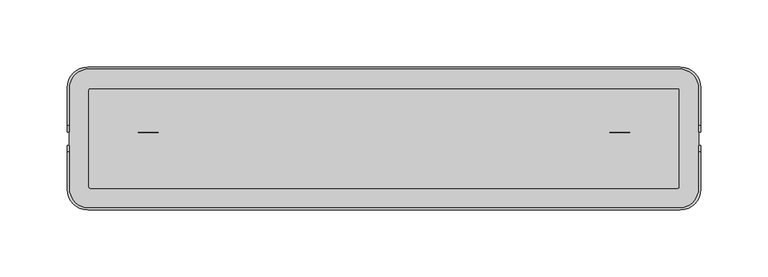
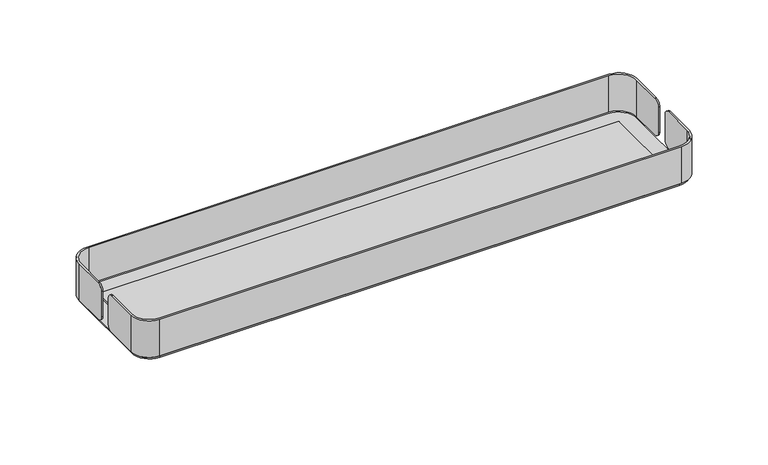
"""IFC4 building model written with IfcOpenShell, lengths in millimetres: furniture geometry."""

from ifc_helpers import new_model, si_unit, point, frame, frame_2d, origin, place, context, project, spatial, polyline, circle_curve, trimmed, segment, composite_curve, outline, extrude, source, transform, mapped, element, save
from ifc_brep_helpers import plane_surface, cylinder_surface, revolved_surface, advanced_brep


def furniture_036cafab(model_context):
    return source(origin(), model_context, "Body", "SolidModel", [
        advanced_brep(
        [(220.029932, 80.0, 936.4000656), (-220.029932, 80.0, 936.4000656), (-235.029932, 65.0, 936.4000656), (-235.029932, 36.9998589, 936.4000656), (-233.8131264, 36.9998589, 936.4000656), (-233.8131264, 63.8063089, 936.4000656), (-218.8131264, 78.8063089, 936.4000656), (218.8131264, 78.8063089, 936.4000656), (233.8131264, 63.8063089, 936.4000656), (233.8131264, 36.9998589, 936.4000656), (235.029932, 36.9998589, 936.4000656), (235.029932, 65.0, 936.4000656), (220.029932, 80.0, 903.8000656), (235.029932, 65.0, 903.8000656), (235.029932, 36.9998589, 903.8000656), (233.8131264, 36.9998589, 903.8000656), (233.8131264, 63.8063089, 903.8000656), (218.8131264, 78.8063089, 903.8000656), (-218.8131264, 78.8063089, 903.8000656), (-233.8131264, 63.8063089, 903.8000656), (-233.8131264, 36.9998589, 903.8000656), (-235.029932, 36.9998589, 903.8000656), (-235.029932, 65.0, 903.8000656), (-220.029932, 80.0, 903.8000656), (-235.029932, 31.9998589, 908.8000656), (-235.029932, 31.9998589, 931.4000656), (-233.8131264, 31.9998589, 931.4000656), (-233.8131264, 31.9998589, 908.8000656), (233.8131264, 31.9998589, 908.8000656), (233.8131264, 31.9998589, 931.4000656), (235.029932, 31.9998589, 931.4000656), (235.029932, 31.9998589, 908.8000656)],
        [
            (0, 1),
            (1, 2, circle_curve(frame((-220.029932, 65.0, 936.4000656), z_axis=(0.0, 0.0, 1.0), x_axis=(1.0, 0.0, 0.0)), 15.0)),
            (2, 3),
            (3, 4),
            (4, 5),
            (5, 6, circle_curve(frame((-218.8131264, 63.8063089, 936.4000656), z_axis=(0.0, 0.0, -1.0), x_axis=(1.0, 0.0, 0.0)), 15.0)),
            (6, 7),
            (7, 8, circle_curve(frame((218.8131264, 63.8063089, 936.4000656), z_axis=(0.0, 0.0, -1.0), x_axis=(1.0, 0.0, 0.0)), 15.0)),
            (8, 9),
            (9, 10),
            (10, 11),
            (11, 0, circle_curve(frame((220.029932, 65.0, 936.4000656), z_axis=(0.0, 0.0, 1.0), x_axis=(1.0, 0.0, 0.0)), 15.0)),
            (12, 13, circle_curve(frame((220.029932, 65.0, 903.8000656), z_axis=(0.0, 0.0, -1.0), x_axis=(1.0, 0.0, 0.0)), 15.0)),
            (13, 14),
            (14, 15),
            (15, 16),
            (16, 17, circle_curve(frame((218.8131264, 63.8063089, 903.8000656), z_axis=(0.0, 0.0, 1.0), x_axis=(1.0, 0.0, 0.0)), 15.0)),
            (17, 18),
            (18, 19, circle_curve(frame((-218.8131264, 63.8063089, 903.8000656), z_axis=(0.0, 0.0, 1.0), x_axis=(1.0, 0.0, 0.0)), 15.0)),
            (19, 20),
            (20, 21),
            (21, 22),
            (22, 23, circle_curve(frame((-220.029932, 65.0, 903.8000656), z_axis=(0.0, 0.0, -1.0), x_axis=(1.0, 0.0, 0.0)), 15.0)),
            (23, 12),
            (0, 12),
            (23, 1),
            (22, 2),
            (21, 24, circle_curve(frame((-235.029932, 36.9998589, 908.8000656), z_axis=(-1.0, 0.0, 0.0), x_axis=(0.0, 1.0, 0.0)), 5.0)),
            (24, 25),
            (25, 3, circle_curve(frame((-235.029932, 36.9998589, 931.4000656), z_axis=(-1.0, 0.0, 0.0), x_axis=(0.0, 1.0, 0.0)), 5.0)),
            (19, 5),
            (4, 26, circle_curve(frame((-233.8131264, 36.9998589, 931.4000656), z_axis=(1.0, 0.0, 0.0), x_axis=(0.0, 1.0, 0.0)), 5.0)),
            (26, 27),
            (27, 20, circle_curve(frame((-233.8131264, 36.9998589, 908.8000656), z_axis=(1.0, 0.0, 0.0), x_axis=(0.0, 1.0, 0.0)), 5.0)),
            (18, 6),
            (17, 7),
            (16, 8),
            (15, 28, circle_curve(frame((233.8131264, 36.9998589, 908.8000656), z_axis=(-1.0, 0.0, 0.0), x_axis=(0.0, 1.0, 0.0)), 5.0)),
            (28, 29),
            (29, 9, circle_curve(frame((233.8131264, 36.9998589, 931.4000656), z_axis=(-1.0, 0.0, 0.0), x_axis=(0.0, 1.0, 0.0)), 5.0)),
            (10, 30, circle_curve(frame((235.029932, 36.9998589, 931.4000656), z_axis=(1.0, 0.0, 0.0), x_axis=(0.0, 1.0, 0.0)), 5.0)),
            (30, 31),
            (31, 14, circle_curve(frame((235.029932, 36.9998589, 908.8000656), z_axis=(1.0, 0.0, 0.0), x_axis=(0.0, 1.0, 0.0)), 5.0)),
            (13, 11),
            (25, 26),
            (24, 27),
            (29, 30),
            (28, 31),
        ],
        [
            plane_surface(frame((-216.8307133, 80.0, 936.4000656), z_axis=(0.0, 0.0, 1.0), x_axis=(-1.0, 0.0, 0.0))),
            plane_surface(frame((-216.8307133, 80.0, 903.8000656), z_axis=(0.0, 0.0, -1.0), x_axis=(1.0, 0.0, 0.0))),
            plane_surface(frame((220.029932, 80.0, 936.4000656), z_axis=(0.0, 1.0, 0.0), x_axis=(0.0, 0.0, -1.0))),
            cylinder_surface(frame((-220.029932, 65.0, 903.8000656), z_axis=(0.0, 0.0, 1.0), x_axis=(1.0, 0.0, 0.0)), 15.0),
            plane_surface(frame((-235.029932, 65.0, 936.4000656), z_axis=(-1.0, 0.0, 0.0), x_axis=(0.0, 0.0, -1.0))),
            plane_surface(frame((-233.8131264, 51.9253053, 936.4000656), z_axis=(1.0, 0.0, 0.0), x_axis=(0.0, 0.0, -1.0))),
            revolved_surface(polyline([(-203.8131264, 63.8063089, 903.8000656), (-203.8131264, 63.8063089, 936.4000656)]), (-218.8131264, 63.8063089, 903.8000656), (0.0, 0.0, -1.0)),
            plane_surface(frame((-218.8131264, 78.8063089, 936.4000656), z_axis=(0.0, -1.0, 0.0), x_axis=(0.0, 0.0, -1.0))),
            revolved_surface(polyline([(233.8131264, 63.8063089, 903.8000656), (233.8131264, 63.8063089, 936.4000656)]), (218.8131264, 63.8063089, 903.8000656), (0.0, 0.0, -1.0)),
            plane_surface(frame((233.8131264, 63.8063089, 936.4000656), z_axis=(-1.0, 0.0, 0.0), x_axis=(0.0, 0.0, -1.0))),
            plane_surface(frame((235.029932, 51.9253053, 936.4000656), z_axis=(1.0, 0.0, 0.0), x_axis=(0.0, 0.0, -1.0))),
            cylinder_surface(frame((220.029932, 65.0, 903.8000656), z_axis=(0.0, 0.0, 1.0), x_axis=(1.0, 0.0, 0.0)), 15.0),
            cylinder_surface(frame((-233.8131264, 36.9998589, 931.4000656), z_axis=(-1.0, 0.0, 0.0), x_axis=(0.0, 1.0, 0.0)), 5.0),
            plane_surface(frame((-235.029932, 31.9998589, 908.8000656), z_axis=(0.0, -1.0, 0.0), x_axis=(1.0, 0.0, 0.0))),
            cylinder_surface(frame((-233.8131264, 36.9998589, 908.8000656), z_axis=(-1.0, 0.0, 0.0), x_axis=(0.0, 1.0, 0.0)), 5.0),
            cylinder_surface(frame((233.8131264, 36.9998589, 931.4000656), z_axis=(1.0, 0.0, 0.0), x_axis=(0.0, 1.0, 0.0)), 5.0),
            plane_surface(frame((235.029932, 31.9998589, 931.4000656), z_axis=(0.0, -1.0, 0.0), x_axis=(-1.0, 0.0, 0.0))),
            cylinder_surface(frame((233.8131264, 36.9998589, 908.8000656), z_axis=(1.0, 0.0, 0.0), x_axis=(0.0, 1.0, 0.0)), 5.0),
        ],
        [
            (0, [[1, 2, 3, 4, 5, 6, 7, 8, 9, 10, 11, 12]]),
            (1, [[13, 14, 15, 16, 17, 18, 19, 20, 21, 22, 23, 24]]),
            (2, [[-1, 25, -24, 26]]),
            (3, [[-2, -26, -23, 27]]),
            (4, [[-27, -22, 28, 29, 30, -3]]),
            (5, [[31, -5, 32, 33, 34, -20]]),
            (6, [[-6, -31, -19, 35]]),
            (7, [[-7, -35, -18, 36]]),
            (8, [[-8, -36, -17, 37]]),
            (9, [[-9, -37, -16, 38, 39, 40]]),
            (10, [[-11, 41, 42, 43, -14, 44]]),
            (11, [[-12, -44, -13, -25]]),
            (12, [[-32, -4, -30, 45]]),
            (13, [[-33, -45, -29, 46]]),
            (14, [[-34, -46, -28, -21]]),
            (15, [[-40, 47, -41, -10]]),
            (16, [[-39, 48, -42, -47]]),
            (17, [[-38, -15, -43, -48]]),
        ],
    ),
        advanced_brep(
        [(220.029932, -25.9133795, 936.4000656), (235.029932, -10.9133795, 936.4000656), (235.029932, 16.9989243, 936.4000656), (233.8131264, 16.9989243, 936.4000656), (233.8131264, -9.7196885, 936.4000656), (218.8131264, -24.7196885, 936.4000656), (-218.8131264, -24.7196885, 936.4000656), (-233.8131264, -9.7196885, 936.4000656), (-233.8131264, 16.9989243, 936.4000656), (-235.029932, 16.9989243, 936.4000656), (-235.029932, -10.9133795, 936.4000656), (-220.029932, -25.9133795, 936.4000656), (220.029932, -25.9133795, 903.8000656), (-220.029932, -25.9133795, 903.8000656), (-235.029932, -10.9133795, 903.8000656), (-235.029932, 16.9989243, 903.8000656), (-233.8131264, 16.9989243, 903.8000656), (-233.8131264, -9.7196885, 903.8000656), (-218.8131264, -24.7196885, 903.8000656), (218.8131264, -24.7196885, 903.8000656), (233.8131264, -9.7196885, 903.8000656), (233.8131264, 16.9989243, 903.8000656), (235.029932, 16.9989243, 903.8000656), (235.029932, -10.9133795, 903.8000656), (-235.029932, 21.9989243, 931.4000656), (-235.029932, 21.9989243, 908.8000656), (-233.8131264, 21.9989243, 908.8000656), (-233.8131264, 21.9989243, 931.4000656), (233.8131264, 21.9989243, 931.4000656), (233.8131264, 21.9989243, 908.8000656), (235.029932, 21.9989243, 908.8000656), (235.029932, 21.9989243, 931.4000656)],
        [
            (0, 1, circle_curve(frame((220.029932, -10.9133795, 936.4000656), z_axis=(0.0, 0.0, 1.0), x_axis=(1.0, 0.0, 0.0)), 15.0)),
            (1, 2),
            (2, 3),
            (3, 4),
            (4, 5, circle_curve(frame((218.8131264, -9.7196885, 936.4000656), z_axis=(0.0, 0.0, -1.0), x_axis=(1.0, 0.0, 0.0)), 15.0)),
            (5, 6),
            (6, 7, circle_curve(frame((-218.8131264, -9.7196885, 936.4000656), z_axis=(0.0, 0.0, -1.0), x_axis=(1.0, 0.0, 0.0)), 15.0)),
            (7, 8),
            (8, 9),
            (9, 10),
            (10, 11, circle_curve(frame((-220.029932, -10.9133795, 936.4000656), z_axis=(0.0, 0.0, 1.0), x_axis=(1.0, 0.0, 0.0)), 15.0)),
            (11, 0),
            (12, 13),
            (13, 14, circle_curve(frame((-220.029932, -10.9133795, 903.8000656), z_axis=(0.0, 0.0, -1.0), x_axis=(1.0, 0.0, 0.0)), 15.0)),
            (14, 15),
            (15, 16),
            (16, 17),
            (17, 18, circle_curve(frame((-218.8131264, -9.7196885, 903.8000656), z_axis=(0.0, 0.0, 1.0), x_axis=(1.0, 0.0, 0.0)), 15.0)),
            (18, 19),
            (19, 20, circle_curve(frame((218.8131264, -9.7196885, 903.8000656), z_axis=(0.0, 0.0, 1.0), x_axis=(1.0, 0.0, 0.0)), 15.0)),
            (20, 21),
            (21, 22),
            (22, 23),
            (23, 12, circle_curve(frame((220.029932, -10.9133795, 903.8000656), z_axis=(0.0, 0.0, -1.0), x_axis=(1.0, 0.0, 0.0)), 15.0)),
            (14, 10),
            (9, 24, circle_curve(frame((-235.029932, 16.9989243, 931.4000656), z_axis=(-1.0, 0.0, 0.0), x_axis=(0.0, 1.0, 0.0)), 5.0)),
            (24, 25),
            (25, 15, circle_curve(frame((-235.029932, 16.9989243, 908.8000656), z_axis=(-1.0, 0.0, 0.0), x_axis=(0.0, 1.0, 0.0)), 5.0)),
            (7, 17),
            (16, 26, circle_curve(frame((-233.8131264, 16.9989243, 908.8000656), z_axis=(1.0, 0.0, 0.0), x_axis=(0.0, 1.0, 0.0)), 5.0)),
            (26, 27),
            (27, 8, circle_curve(frame((-233.8131264, 16.9989243, 931.4000656), z_axis=(1.0, 0.0, 0.0), x_axis=(0.0, 1.0, 0.0)), 5.0)),
            (3, 28, circle_curve(frame((233.8131264, 16.9989243, 931.4000656), z_axis=(-1.0, 0.0, 0.0), x_axis=(0.0, 1.0, 0.0)), 5.0)),
            (28, 29),
            (29, 21, circle_curve(frame((233.8131264, 16.9989243, 908.8000656), z_axis=(-1.0, 0.0, 0.0), x_axis=(0.0, 1.0, 0.0)), 5.0)),
            (20, 4),
            (1, 23),
            (22, 30, circle_curve(frame((235.029932, 16.9989243, 908.8000656), z_axis=(1.0, 0.0, 0.0), x_axis=(0.0, 1.0, 0.0)), 5.0)),
            (30, 31),
            (31, 2, circle_curve(frame((235.029932, 16.9989243, 931.4000656), z_axis=(1.0, 0.0, 0.0), x_axis=(0.0, 1.0, 0.0)), 5.0)),
            (0, 12),
            (19, 5),
            (18, 6),
            (13, 11),
            (27, 24),
            (26, 25),
            (29, 30),
            (28, 31),
        ],
        [
            plane_surface(frame((-216.8307133, 80.0, 936.4000656), z_axis=(0.0, 0.0, 1.0), x_axis=(-1.0, 0.0, 0.0))),
            plane_surface(frame((-216.8307133, 80.0, 903.8000656), z_axis=(0.0, 0.0, -1.0), x_axis=(1.0, 0.0, 0.0))),
            plane_surface(frame((-235.029932, 65.0, 936.4000656), z_axis=(-1.0, 0.0, 0.0), x_axis=(0.0, 0.0, -1.0))),
            plane_surface(frame((-233.8131264, 51.9253053, 936.4000656), z_axis=(1.0, 0.0, 0.0), x_axis=(0.0, 0.0, -1.0))),
            plane_surface(frame((233.8131264, 63.8063089, 936.4000656), z_axis=(-1.0, 0.0, 0.0), x_axis=(0.0, 0.0, -1.0))),
            plane_surface(frame((235.029932, 51.9253053, 936.4000656), z_axis=(1.0, 0.0, 0.0), x_axis=(0.0, 0.0, -1.0))),
            cylinder_surface(frame((220.029932, -10.9133795, 0.0), z_axis=(0.0, 0.0, 1.0), x_axis=(1.0, 0.0, 0.0)), 15.0),
            revolved_surface(polyline([(233.8131264, -9.7196885, 903.8000656), (233.8131264, -9.7196885, 936.4000656)]), (218.8131264, -9.7196885, 0.0), (0.0, 0.0, -1.0)),
            plane_surface(frame((218.8131264, -24.7196885, 936.4000656), z_axis=(0.0, 1.0, 0.0), x_axis=(0.0, 0.0, -1.0))),
            revolved_surface(polyline([(-203.8131264, -9.7196885, 903.8000656), (-203.8131264, -9.7196885, 936.4000656)]), (-218.8131264, -9.7196885, 0.0), (0.0, 0.0, -1.0)),
            cylinder_surface(frame((-220.029932, -10.9133795, 0.0), z_axis=(0.0, 0.0, 1.0), x_axis=(1.0, 0.0, 0.0)), 15.0),
            plane_surface(frame((-220.029932, -25.9133795, 936.4000656), z_axis=(0.0, -1.0, 0.0), x_axis=(0.0, 0.0, -1.0))),
            cylinder_surface(frame((0.0, 16.9989243, 931.4000656), z_axis=(-1.0, 0.0, 0.0), x_axis=(0.0, 1.0, 0.0)), 5.0),
            plane_surface(frame((-235.029932, 21.9989243, 931.4000656), z_axis=(0.0, 1.0, 0.0), x_axis=(1.0, 0.0, 0.0))),
            cylinder_surface(frame((0.0, 16.9989243, 908.8000656), z_axis=(-1.0, 0.0, 0.0), x_axis=(0.0, 1.0, 0.0)), 5.0),
            cylinder_surface(frame((0.0, 16.9989243, 908.8000656), z_axis=(1.0, 0.0, 0.0), x_axis=(0.0, 1.0, 0.0)), 5.0),
            plane_surface(frame((235.029932, 21.9989243, 908.8000656), z_axis=(0.0, 1.0, 0.0), x_axis=(-1.0, 0.0, 0.0))),
            cylinder_surface(frame((0.0, 16.9989243, 931.4000656), z_axis=(1.0, 0.0, 0.0), x_axis=(0.0, 1.0, 0.0)), 5.0),
        ],
        [
            (0, [[1, 2, 3, 4, 5, 6, 7, 8, 9, 10, 11, 12]]),
            (1, [[13, 14, 15, 16, 17, 18, 19, 20, 21, 22, 23, 24]]),
            (2, [[25, -10, 26, 27, 28, -15]]),
            (3, [[29, -17, 30, 31, 32, -8]]),
            (4, [[-4, 33, 34, 35, -21, 36]]),
            (5, [[-2, 37, -23, 38, 39, 40]]),
            (6, [[-1, 41, -24, -37]]),
            (7, [[-5, -36, -20, 42]]),
            (8, [[-6, -42, -19, 43]]),
            (9, [[-7, -43, -18, -29]]),
            (10, [[-11, -25, -14, 44]]),
            (11, [[-12, -44, -13, -41]]),
            (12, [[-32, 45, -26, -9]]),
            (13, [[-31, 46, -27, -45]]),
            (14, [[-30, -16, -28, -46]]),
            (15, [[-35, 47, -38, -22]]),
            (16, [[-34, 48, -39, -47]]),
            (17, [[-33, -3, -40, -48]]),
        ],
    ),
        extrude(outline(composite_curve([segment(polyline([(22.6928693, 901.4004301), (31.6320062, 901.4004301), (32.0622503, 876.7675294), (33.3407023, 876.5421038), (33.3407023, 875.5813308), (31.085956, 872.8942288), (30.0031861, 872.8942288), (29.0392252, 886.6795127)]), True, "CONTINUOUS"), segment(trimmed(circle_curve(frame_2d((27.164587, 886.5484253)), 1.8792159), [point((29.0392252, 886.6795127))], [point((25.2904072, 886.6859109))], True, "CARTESIAN"), True, "CONTINUOUS"), segment(polyline([(25.2904072, 886.6859109), (24.2786799, 872.8942288), (23.2350395, 872.8942288), (20.9802932, 875.5813308), (20.9802932, 876.5421038), (22.2629133, 876.7682643), (22.6928693, 901.4004301)]), True, "CONTINUOUS")], self_intersect=False)), frame((-182.5934374, 0.0, 0.0), z_axis=(1.0, 0.0, 0.0), x_axis=(0.0, 1.0, 0.0)), (0.0, 0.0, 1.0), 15.1519339),
        extrude(outline(composite_curve([segment(polyline([(22.6928693, 901.4004301), (31.6320062, 901.4004301), (32.0622503, 876.7675294), (33.3407023, 876.5421038), (33.3407023, 875.5813308), (31.085956, 872.8942288), (30.0031861, 872.8942288), (29.0392252, 886.6795127)]), True, "CONTINUOUS"), segment(trimmed(circle_curve(frame_2d((27.164587, 886.5484253)), 1.8792159), [point((29.0392252, 886.6795127))], [point((25.2904072, 886.6859109))], True, "CARTESIAN"), True, "CONTINUOUS"), segment(polyline([(25.2904072, 886.6859109), (24.2786799, 872.8942288), (23.2350395, 872.8942288), (20.9802932, 875.5813308), (20.9802932, 876.5421038), (22.2629133, 876.7682643), (22.6928693, 901.4004301)]), True, "CONTINUOUS")], self_intersect=False)), frame((167.4415035, 0.0, 0.0), z_axis=(1.0, 0.0, 0.0), x_axis=(0.0, 1.0, 0.0)), (0.0, 0.0, 1.0), 15.1519339),
        extrude(outline(composite_curve([segment(trimmed(circle_curve(frame_2d((-164.0684119, 45.0606517)), 6.8646536), [point((-164.0684119, 51.9253053))], [point((-157.2037584, 45.0606517))], False, "CARTESIAN"), True, "CONTINUOUS"), segment(polyline([(-157.2037584, 45.0606517), (-157.2037584, 8.5535062)]), True, "CONTINUOUS"), segment(trimmed(circle_curve(frame_2d((-163.680139, 8.5535062)), 6.4763806), [point((-157.2037584, 8.5535062))], [point((-163.680139, 2.0771256))], False, "CARTESIAN"), True, "CONTINUOUS"), segment(polyline([(-163.680139, 2.0771256), (-185.611254, 2.0771256)]), True, "CONTINUOUS"), segment(trimmed(circle_curve(frame_2d((-185.611254, 9.2985417)), 7.2214161), [point((-185.611254, 2.0771256))], [point((-192.8326701, 9.2985417))], False, "CARTESIAN"), True, "CONTINUOUS"), segment(polyline([(-192.8326701, 9.2985417), (-192.8326701, 45.3397207)]), True, "CONTINUOUS"), segment(trimmed(circle_curve(frame_2d((-186.2470855, 45.3397207)), 6.5855846), [point((-192.8326701, 45.3397207))], [point((-186.2470855, 51.9253053))], False, "CARTESIAN"), True, "CONTINUOUS"), segment(polyline([(-186.2470855, 51.9253053), (-164.0684119, 51.9253053)]), True, "CONTINUOUS")], self_intersect=False), holes=[composite_curve([segment(polyline([(-164.7115813, 49.8082606), (-183.676739, 49.8082606)]), True, "CONTINUOUS"), segment(trimmed(circle_curve(frame_2d((-183.676739, 43.1601525)), 6.6481081), [point((-183.676739, 49.8082606))], [point((-190.3248472, 43.1601525))], True, "CARTESIAN"), True, "CONTINUOUS"), segment(polyline([(-190.3248472, 43.1601525), (-190.3248472, 9.1941682)]), True, "CONTINUOUS"), segment(trimmed(circle_curve(frame_2d((-185.3248472, 9.1941682)), 5.0), [point((-190.3248472, 9.1941682))], [point((-185.3248472, 4.1941682))], True, "CARTESIAN"), True, "CONTINUOUS"), segment(polyline([(-185.3248472, 4.1941682), (-164.7115813, 4.1941682)]), True, "CONTINUOUS"), segment(trimmed(circle_curve(frame_2d((-164.7115813, 9.1941682)), 5.0), [point((-164.7115813, 4.1941682))], [point((-159.7115813, 9.1941682))], True, "CARTESIAN"), True, "CONTINUOUS"), segment(polyline([(-159.7115813, 9.1941682), (-159.7115813, 44.8082606)]), True, "CONTINUOUS"), segment(trimmed(circle_curve(frame_2d((-164.7115813, 44.8082606)), 5.0), [point((-159.7115813, 44.8082606))], [point((-164.7115813, 49.8082606))], True, "CARTESIAN"), True, "CONTINUOUS")], self_intersect=False)]), frame((0.0, 0.0, 880.5218899), z_axis=(0.0, 0.0, 1.0), x_axis=(1.0, 0.0, 0.0)), (0.0, 0.0, 1.0), 20.8785402),
        extrude(outline(composite_curve([segment(polyline([(164.0684119, 51.9253053), (186.2470855, 51.9253053)]), True, "CONTINUOUS"), segment(trimmed(circle_curve(frame_2d((186.2470855, 45.3397207)), 6.5855846), [point((186.2470855, 51.9253053))], [point((192.8326701, 45.3397207))], False, "CARTESIAN"), True, "CONTINUOUS"), segment(polyline([(192.8326701, 45.3397207), (192.8326701, 9.2985417)]), True, "CONTINUOUS"), segment(trimmed(circle_curve(frame_2d((185.611254, 9.2985417)), 7.2214161), [point((192.8326701, 9.2985417))], [point((185.611254, 2.0771256))], False, "CARTESIAN"), True, "CONTINUOUS"), segment(polyline([(185.611254, 2.0771256), (163.680139, 2.0771256)]), True, "CONTINUOUS"), segment(trimmed(circle_curve(frame_2d((163.680139, 8.5535062)), 6.4763806), [point((163.680139, 2.0771256))], [point((157.2037584, 8.5535062))], False, "CARTESIAN"), True, "CONTINUOUS"), segment(polyline([(157.2037584, 8.5535062), (157.2037584, 45.0606517)]), True, "CONTINUOUS"), segment(trimmed(circle_curve(frame_2d((164.0684119, 45.0606517)), 6.8646536), [point((157.2037584, 45.0606517))], [point((164.0684119, 51.9253053))], False, "CARTESIAN"), True, "CONTINUOUS")], self_intersect=False), holes=[composite_curve([segment(trimmed(circle_curve(frame_2d((164.7115813, 44.8082606)), 5.0), [point((164.7115813, 49.8082606))], [point((159.7115813, 44.8082606))], True, "CARTESIAN"), True, "CONTINUOUS"), segment(polyline([(159.7115813, 44.8082606), (159.7115813, 9.1941682)]), True, "CONTINUOUS"), segment(trimmed(circle_curve(frame_2d((164.7115813, 9.1941682)), 5.0), [point((159.7115813, 9.1941682))], [point((164.7115813, 4.1941682))], True, "CARTESIAN"), True, "CONTINUOUS"), segment(polyline([(164.7115813, 4.1941682), (185.3248472, 4.1941682)]), True, "CONTINUOUS"), segment(trimmed(circle_curve(frame_2d((185.3248472, 9.1941682)), 5.0), [point((185.3248472, 4.1941682))], [point((190.3248472, 9.1941682))], True, "CARTESIAN"), True, "CONTINUOUS"), segment(polyline([(190.3248472, 9.1941682), (190.3248472, 43.1601525)]), True, "CONTINUOUS"), segment(trimmed(circle_curve(frame_2d((183.676739, 43.1601525)), 6.6481081), [point((190.3248472, 43.1601525))], [point((183.676739, 49.8082606))], True, "CARTESIAN"), True, "CONTINUOUS"), segment(polyline([(183.676739, 49.8082606), (164.7115813, 49.8082606)]), True, "CONTINUOUS")], self_intersect=False)]), frame((0.0, 0.0, 880.5218899), z_axis=(0.0, 0.0, 1.0), x_axis=(1.0, 0.0, 0.0)), (0.0, 0.0, 1.0), 20.8785402),
        extrude(outline(composite_curve([segment(trimmed(circle_curve(frame_2d((218.8131264, 63.8063089)), 15.0), [point((218.8131264, 78.8063089))], [point((233.8131264, 63.8063089))], False, "CARTESIAN"), True, "CONTINUOUS"), segment(polyline([(233.8131264, 63.8063089), (233.8131264, -9.7196885)]), True, "CONTINUOUS"), segment(trimmed(circle_curve(frame_2d((218.8131264, -9.7196885)), 15.0), [point((233.8131264, -9.7196885))], [point((218.8131264, -24.7196885))], False, "CARTESIAN"), True, "CONTINUOUS"), segment(polyline([(218.8131264, -24.7196885), (-218.8131264, -24.7196885)]), True, "CONTINUOUS"), segment(trimmed(circle_curve(frame_2d((-218.8131264, -9.7196885)), 15.0), [point((-218.8131264, -24.7196885))], [point((-233.8131264, -9.7196885))], False, "CARTESIAN"), True, "CONTINUOUS"), segment(polyline([(-233.8131264, -9.7196885), (-233.8131264, 63.8063089)]), True, "CONTINUOUS"), segment(trimmed(circle_curve(frame_2d((-218.8131264, 63.8063089)), 15.0), [point((-233.8131264, 63.8063089))], [point((-218.8131264, 78.8063089))], False, "CARTESIAN"), True, "CONTINUOUS"), segment(polyline([(-218.8131264, 78.8063089), (218.8131264, 78.8063089)]), True, "CONTINUOUS")], self_intersect=False)), frame((0.0, 0.0, 901.4004301), z_axis=(0.0, 0.0, 1.0), x_axis=(1.0, 0.0, 0.0)), (0.0, 0.0, 1.0), 1.2099552),
        extrude(outline(composite_curve([segment(trimmed(circle_curve(frame_2d((217.9407785, 62.9242368)), 1.0), [point((217.9407785, 63.9242368))], [point((218.9407785, 62.9242368))], False, "CARTESIAN"), True, "CONTINUOUS"), segment(polyline([(218.9407785, 62.9242368), (218.9407785, -8.9254536)]), True, "CONTINUOUS"), segment(trimmed(circle_curve(frame_2d((217.9407785, -8.9254536)), 1.0), [point((218.9407785, -8.9254536))], [point((217.9407785, -9.9254536))], False, "CARTESIAN"), True, "CONTINUOUS"), segment(polyline([(217.9407785, -9.9254536), (-217.8794929, -9.9254536)]), True, "CONTINUOUS"), segment(trimmed(circle_curve(frame_2d((-217.8794929, -8.8238361)), 1.1016175), [point((-217.8794929, -9.9254536))], [point((-218.9811104, -8.8238361))], False, "CARTESIAN"), True, "CONTINUOUS"), segment(polyline([(-218.9811104, -8.8238361), (-218.9811104, 62.9104566)]), True, "CONTINUOUS"), segment(trimmed(circle_curve(frame_2d((-217.9673302, 62.9104566)), 1.0137801), [point((-218.9811104, 62.9104566))], [point((-217.9673302, 63.9242368))], False, "CARTESIAN"), True, "CONTINUOUS"), segment(polyline([(-217.9673302, 63.9242368), (217.9407785, 63.9242368)]), True, "CONTINUOUS")], self_intersect=False)), frame((0.0, 0.0, 902.5997542), z_axis=(0.0, 0.0, 1.0), x_axis=(1.0, 0.0, 0.0)), (0.0, 0.0, 1.0), 2.0439069),
    ])


if __name__ == "__main__":
    model = new_model("IFC4")
    model_context = context("Model", 3, world=origin())
    ifc_project = project(units=[si_unit("LENGTHUNIT", "METRE", prefix="MILLI")], contexts=[model_context])
    site = spatial("IfcSite", under=ifc_project)
    building = spatial("IfcBuilding", under=site)
    placement = place(None, origin())
    furniture_shape = furniture_036cafab(model_context)
    element("IfcFurniture", 1, at=placement, inside=building, context=model_context, shape_type="MappedRepresentation", body=[
        mapped(furniture_shape, transform((0.0, 0.0, 0.0), x_axis=(1.0, 0.0, 0.0), y_axis=(0.0, 1.0, 0.0), z_axis=(0.0, 0.0, 1.0))),
    ])
    save(model, "model.ifc")
